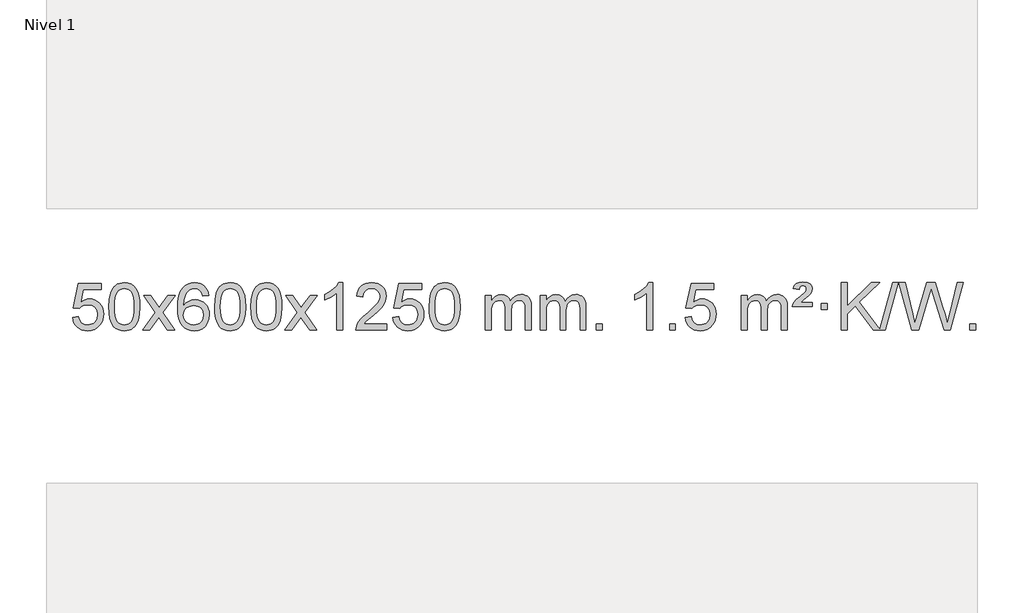
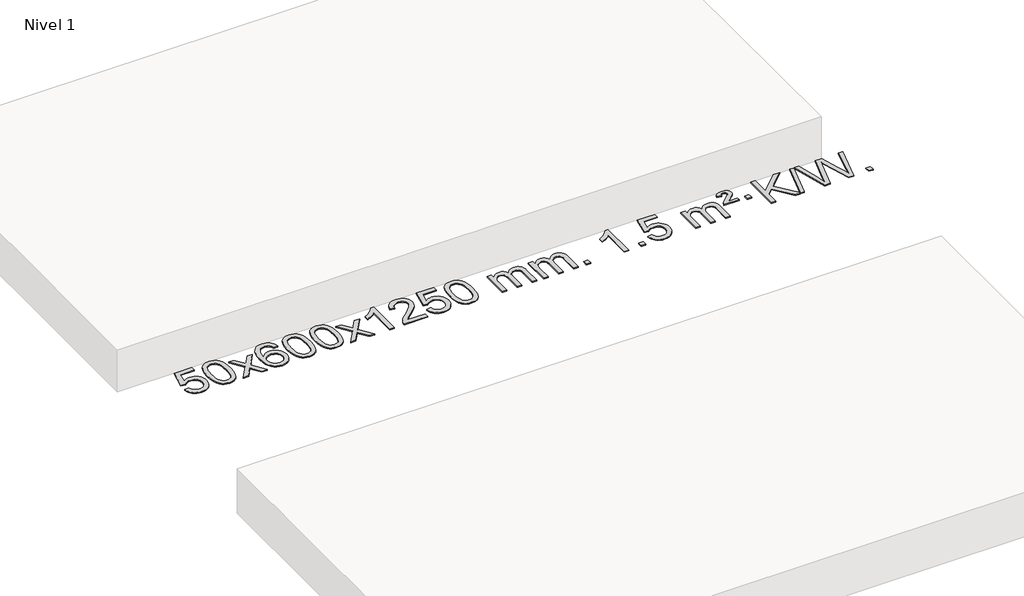
# One storey, part 4 of 4: 1 proxy.
"""IFC4 building model written with IfcOpenShell, lengths in millimetres."""

from ifc_helpers import new_model, si_unit, origin, origin_with_axes, place, context, project, spatial, polyline, outline, extrude, element, save

model = new_model("IFC4")

# Units and contexts
model_context = context("Model", 3, world=origin())
ifc_project = project(units=[si_unit("LENGTHUNIT", "METRE", prefix="MILLI")], contexts=[model_context])

# Site, building, storey
site = spatial("IfcSite", under=ifc_project)
building = spatial("IfcBuilding", under=site)
storey = spatial("IfcBuildingStorey", under=building, Name="Nivel 1", Elevation=0.0)

# Proxy
placement = place(None, origin())
element("IfcBuildingElementProxy", 1, Name="Texto de modelo 1", ObjectType="Texto de modelo 1", at=placement, inside=storey, context=model_context, shape_type="SweptSolid", body=[
    extrude(outline(polyline([(-19438.3327477, 353.8243086), (-19388.1045926, 360.102828), (-19378.8830173, 329.9487671), (-19362.7943114, 308.354094), (-19339.9120513, 295.3678595), (-19310.3098134, 291.0391147), (-19291.1799496, 292.5443652), (-19274.3064288, 297.0601167), (-19259.6892508, 304.5863692), (-19247.3284158, 315.1231227), (-19237.4998352, 328.149211), (-19230.4794204, 343.143468), (-19224.8630886, 379.036488), (-19230.1238012, 412.8325806), (-19236.6996918, 426.7507827), (-19245.9059387, 438.6824221), (-19257.7731988, 448.2534854), (-19272.3321287, 455.0899591), (-19309.5249984, 460.5591381), (-19333.8910493, 458.3763716), (-19353.6217869, 451.8280721), (-19369.3793991, 441.7971563), (-19381.8260732, 429.1665412), (-19432.0542283, 435.4450606), (-19388.1045926, 642.6362002), (-19193.4704917, 642.6362002), (-19193.4704917, 592.4080452), (-19347.4904204, 592.4080452), (-19368.9747289, 481.749141), (-19351.2489481, 494.4533326), (-19333.0939716, 503.5277551), (-19314.5097995, 508.9724087), (-19295.4964317, 510.7872932), (-19271.0353447, 508.5370816), (-19248.5669518, 501.786447), (-19228.0912531, 490.5353893), (-19209.6082486, 474.7839086), (-19194.3074232, 455.4946293), (-19183.3782623, 433.6301761), (-19176.8207657, 409.1905488), (-19174.6349336, 382.1757477), (-19176.6031022, 356.1542279), (-19182.5076082, 331.9475926), (-19192.3484516, 309.5558418), (-19206.1256323, 288.9789756), (-19226.9968042, 267.9054686), (-19251.3505923, 252.8529636), (-19279.1869966, 243.8214606), (-19310.5060171, 240.8109597), (-19336.4263693, 242.7454058), (-19359.8389927, 248.5487443), (-19380.743887, 258.2209751), (-19399.1410525, 271.7620982), (-19414.4480092, 288.4976633), (-19426.0822773, 307.75322), (-19434.0438568, 329.5287685), (-19438.3327477, 353.8243086)])), origin_with_axes(), (0.0, 0.0, 1.0), 10.0),
    extrude(outline(polyline([(-19130.6852979, 444.7647378), (-19126.9942152, 509.0827733), (-19115.9209671, 560.3777861), (-19097.5759183, 599.4345913), (-19085.7178553, 614.6679716), (-19072.0694333, 627.0380037), (-19056.584667, 636.6090669), (-19039.2175711, 643.4455406), (-18998.8363908, 648.9147196), (-18967.8852523, 645.6773581), (-18940.1714753, 635.9652734), (-18916.9949096, 620.1586103), (-18899.6554049, 598.6375136), (-18886.5588059, 571.5859242), (-18876.1109572, 539.1877832), (-18869.2683521, 498.0463134), (-18866.9874837, 444.7647378), (-18870.6417782, 380.8145843), (-18881.6046617, 329.6421988), (-18899.8393459, 290.5486054), (-18911.6698177, 275.2692399), (-18925.3090427, 262.8348284), (-18940.8122031, 253.1993858), (-18958.2344813, 246.3169268), (-18998.8363908, 240.8109597), (-19026.5011168, 243.2021926), (-19051.0265832, 250.3758915), (-19072.4127898, 262.3320564), (-19090.6597368, 279.0706871), (-19108.1709198, 309.3289813), (-19120.6789076, 347.0307544), (-19128.1837003, 392.1760066), (-19130.6852979, 444.7647378)]), holes=[polyline([(-19080.4571428, 444.8628396), (-19078.9856148, 401.1983125), (-19074.5710309, 365.8540498), (-19067.213391, 338.8300516), (-19056.9126951, 320.1263178), (-19044.4537582, 307.4006665), (-19030.6213952, 298.3109155), (-19015.415606, 292.8570649), (-18998.8363908, 291.0391147), (-18982.2571755, 292.8631963), (-18967.0513864, 298.335441), (-18953.2190234, 307.4558488), (-18940.7600865, 320.2244197), (-18930.4593906, 338.9588103), (-18923.1017507, 365.9766771), (-18918.6871668, 401.2780203), (-18917.2156388, 444.8628396), (-18918.6381158, 487.3716042), (-18922.905547, 522.0935332), (-18930.0179322, 549.0286266), (-18939.9752716, 568.1768844), (-18952.225742, 581.5248695), (-18966.2175205, 591.0591445), (-18981.9506072, 596.7797096), (-18999.425002, 598.6865646), (-19015.9183781, 597.0065701), (-19030.8666498, 591.9665868), (-19044.2698172, 583.5666146), (-19056.1278802, 571.8066534), (-19066.7719326, 550.9600071), (-19074.3748271, 522.8538226), (-19078.9365639, 487.4881002), (-19080.4571428, 444.8628396)])]), origin_with_axes(), (0.0, 0.0, 1.0), 10.0),
    extrude(outline(polyline([(-18841.8734062, 247.089479), (-18734.5499655, 395.4194995), (-18835.5948868, 542.1798901), (-18775.1641377, 542.1798901), (-18726.4075106, 471.546547), (-18703.6478779, 438.1919128), (-18683.9294029, 465.4642314), (-18628.4037471, 542.1798901), (-18567.972998, 542.1798901), (-18674.1192164, 395.4194995), (-18571.8970727, 247.089479), (-18632.3278217, 247.089479), (-18693.8376913, 336.2640747), (-18705.1194058, 352.5489843), (-18781.4426571, 247.089479), (-18841.8734062, 247.089479)])), origin_with_axes(), (0.0, 0.0, 1.0), 10.0),
    extrude(outline(polyline([(-18283.085181, 542.1798901), (-18333.313336, 535.9013707), (-18341.4067399, 560.7947191), (-18352.3450979, 577.7908672), (-18375.1292562, 593.4626402), (-18402.6713549, 598.6865646), (-18426.0195988, 595.6454067), (-18447.9944167, 586.5219333), (-18466.866763, 567.3062304), (-18482.2810186, 540.8555149), (-18492.6920791, 503.441916), (-18496.55484, 451.3375628), (-18476.4071694, 474.8452222), (-18452.2618478, 491.4121748), (-18425.4677758, 501.234624), (-18397.3738541, 504.5087738), (-18373.2407953, 502.270825), (-18350.9716718, 495.5569786), (-18330.5664838, 484.3672346), (-18312.0252313, 468.7015929), (-18296.617107, 449.4920214), (-18285.611304, 427.6704877), (-18279.0078222, 403.2369919), (-18276.8066616, 376.1915339), (-18280.9514654, 340.2249375), (-18293.3858768, 306.882566), (-18313.0798263, 278.6047033), (-18339.0032442, 257.8316333), (-18369.9789082, 245.0661281), (-18404.8295959, 240.8109597), (-18434.7721246, 243.6313883), (-18461.814517, 252.0926742), (-18485.9567729, 266.1948173), (-18507.1988924, 285.9378177), (-18524.5169374, 312.1555412), (-18536.8869694, 345.6818537), (-18544.3089887, 386.5167552), (-18546.7829951, 434.6602456), (-18544.0361429, 488.6346657), (-18535.7955862, 534.6996229), (-18522.061325, 572.8551171), (-18502.8333594, 603.1011485), (-18481.9928444, 623.1445859), (-18457.8291287, 637.4613269), (-18430.3422123, 646.0513714), (-18399.5320952, 648.9147196), (-18376.398449, 647.1427547), (-18355.4598322, 641.8268599), (-18336.7162445, 632.9670351), (-18320.1676861, 620.5632805), (-18306.2617467, 605.032529), (-18295.446016, 586.7917134), (-18287.7204941, 565.8408338), (-18283.085181, 542.1798901)]), holes=[polyline([(-18496.55484, 376.9763488), (-18493.6485723, 354.7194881), (-18484.929769, 333.4681715), (-18471.3917116, 315.1966991), (-18454.0276814, 301.8793709), (-18433.0706704, 293.7491788), (-18408.7536705, 291.0391147), (-18375.6075028, 296.6554465), (-18361.6923663, 303.6758613), (-18349.5491948, 313.5044419), (-18339.6991543, 325.7426496), (-18332.6634112, 339.9919456), (-18327.0348167, 374.5238022), (-18332.5898348, 407.6699699), (-18339.5336074, 421.2908008), (-18349.2548892, 432.943463), (-18361.4348489, 442.2784686), (-18375.7546556, 448.9463298), (-18410.8138097, 454.2806187), (-18443.9109265, 448.9463298), (-18471.5879153, 432.943463), (-18482.5109449, 421.444085), (-18490.3131089, 408.2831066), (-18494.9944072, 393.4605279), (-18496.55484, 376.9763488)])]), origin_with_axes(), (0.0, 0.0, 1.0), 10.0),
    extrude(outline(polyline([(-18232.8570259, 444.7647378), (-18229.1659432, 509.0827733), (-18218.0926952, 560.3777861), (-18199.7476463, 599.4345913), (-18187.8895834, 614.6679716), (-18174.2411613, 627.0380037), (-18158.756395, 636.6090669), (-18141.3892992, 643.4455406), (-18101.0081188, 648.9147196), (-18070.0569803, 645.6773581), (-18042.3432033, 635.9652734), (-18019.1666376, 620.1586103), (-18001.8271329, 598.6375136), (-17988.7305339, 571.5859242), (-17978.2826852, 539.1877832), (-17971.4400801, 498.0463134), (-17969.1592118, 444.7647378), (-17972.8135062, 380.8145843), (-17983.7763897, 329.6421988), (-18002.0110739, 290.5486054), (-18013.8415458, 275.2692399), (-18027.4807707, 262.8348284), (-18042.9839311, 253.1993858), (-18060.4062093, 246.3169268), (-18101.0081188, 240.8109597), (-18128.6728449, 243.2021926), (-18153.1983112, 250.3758915), (-18174.5845179, 262.3320564), (-18192.8314648, 279.0706871), (-18210.3426478, 309.3289813), (-18222.8506356, 347.0307544), (-18230.3554283, 392.1760066), (-18232.8570259, 444.7647378)]), holes=[polyline([(-18182.6288708, 444.8628396), (-18181.1573428, 401.1983125), (-18176.7427589, 365.8540498), (-18169.385119, 338.8300516), (-18159.0844231, 320.1263178), (-18146.6254862, 307.4006665), (-18132.7931232, 298.3109155), (-18117.5873341, 292.8570649), (-18101.0081188, 291.0391147), (-18084.4289036, 292.8631963), (-18069.2231144, 298.335441), (-18055.3907514, 307.4558488), (-18042.9318145, 320.2244197), (-18032.6311187, 338.9588103), (-18025.2734788, 365.9766771), (-18020.8588948, 401.2780203), (-18019.3873668, 444.8628396), (-18020.8098439, 487.3716042), (-18025.077275, 522.0935332), (-18032.1896603, 549.0286266), (-18042.1469996, 568.1768844), (-18054.39747, 581.5248695), (-18068.3892486, 591.0591445), (-18084.1223352, 596.7797096), (-18101.59673, 598.6865646), (-18118.0901061, 597.0065701), (-18133.0383779, 591.9665868), (-18146.4415452, 583.5666146), (-18158.2996082, 571.8066534), (-18168.9436606, 550.9600071), (-18176.5465552, 522.8538226), (-18181.1082919, 487.4881002), (-18182.6288708, 444.8628396)])]), origin_with_axes(), (0.0, 0.0, 1.0), 10.0),
    extrude(outline(polyline([(-17925.2095761, 444.7647378), (-17921.5184934, 509.0827733), (-17910.4452453, 560.3777861), (-17892.1001965, 599.4345913), (-17880.2421335, 614.6679716), (-17866.5937115, 627.0380037), (-17851.1089452, 636.6090669), (-17833.7418493, 643.4455406), (-17793.360669, 648.9147196), (-17762.4095305, 645.6773581), (-17734.6957535, 635.9652734), (-17711.5191878, 620.1586103), (-17694.1796831, 598.6375136), (-17681.0830841, 571.5859242), (-17670.6352354, 539.1877832), (-17663.7926303, 498.0463134), (-17661.5117619, 444.7647378), (-17665.1660564, 380.8145843), (-17676.1289399, 329.6421988), (-17694.3636241, 290.5486054), (-17706.1940959, 275.2692399), (-17719.8333209, 262.8348284), (-17735.3364813, 253.1993858), (-17752.7587595, 246.3169268), (-17793.360669, 240.8109597), (-17821.025395, 243.2021926), (-17845.5508614, 250.3758915), (-17866.937068, 262.3320564), (-17885.184015, 279.0706871), (-17902.695198, 309.3289813), (-17915.2031858, 347.0307544), (-17922.7079785, 392.1760066), (-17925.2095761, 444.7647378)]), holes=[polyline([(-17874.981421, 444.8628396), (-17873.509893, 401.1983125), (-17869.0953091, 365.8540498), (-17861.7376692, 338.8300516), (-17851.4369733, 320.1263178), (-17838.9780364, 307.4006665), (-17825.1456734, 298.3109155), (-17809.9398842, 292.8570649), (-17793.360669, 291.0391147), (-17776.7814537, 292.8631963), (-17761.5756646, 298.335441), (-17747.7433016, 307.4558488), (-17735.2843647, 320.2244197), (-17724.9836688, 338.9588103), (-17717.6260289, 365.9766771), (-17713.211445, 401.2780203), (-17711.739917, 444.8628396), (-17713.162394, 487.3716042), (-17717.4298252, 522.0935332), (-17724.5422104, 549.0286266), (-17734.4995498, 568.1768844), (-17746.7500202, 581.5248695), (-17760.7417988, 591.0591445), (-17776.4748854, 596.7797096), (-17793.9492802, 598.6865646), (-17810.4426563, 597.0065701), (-17825.390928, 591.9665868), (-17838.7940954, 583.5666146), (-17850.6521584, 571.8066534), (-17861.2962108, 550.9600071), (-17868.8991053, 522.8538226), (-17873.4608421, 487.4881002), (-17874.981421, 444.8628396)])]), origin_with_axes(), (0.0, 0.0, 1.0), 10.0),
    extrude(outline(polyline([(-17636.3976844, 247.089479), (-17529.0742437, 395.4194995), (-17630.119165, 542.1798901), (-17569.6884159, 542.1798901), (-17520.9317888, 471.546547), (-17498.1721561, 438.1919128), (-17478.4536811, 465.4642314), (-17422.9280253, 542.1798901), (-17362.4972762, 542.1798901), (-17468.6434946, 395.4194995), (-17366.4213509, 247.089479), (-17426.8520999, 247.089479), (-17488.3619695, 336.2640747), (-17499.643684, 352.5489843), (-17575.9669353, 247.089479), (-17636.3976844, 247.089479)])), origin_with_axes(), (0.0, 0.0, 1.0), 10.0),
    extrude(outline(polyline([(-17146.6731724, 247.089479), (-17196.9013275, 247.089479), (-17196.9013275, 560.2306333), (-17217.8706012, 543.2712734), (-17244.4807322, 526.3364388), (-17297.3576376, 500.9771066), (-17297.3576376, 548.4584095), (-17257.908425, 569.9181925), (-17223.7321877, 595.449203), (-17196.7909629, 622.5988942), (-17179.046788, 648.9147196), (-17146.6731724, 648.9147196), (-17146.6731724, 247.089479)])), origin_with_axes(), (0.0, 0.0, 1.0), 10.0),
    extrude(outline(polyline([(-16769.9620093, 297.3176341), (-16769.9620093, 247.089479), (-17033.6598235, 247.089479), (-17032.5561775, 264.7723403), (-17028.2642209, 281.7194375), (-17015.8788604, 308.7832896), (-16997.7545408, 335.0378013), (-16971.5368172, 362.5185864), (-16934.871245, 393.2612585), (-16880.6699644, 441.4047489), (-16848.1491961, 476.9421496), (-16831.8888119, 505.784098), (-16826.4686838, 533.8412315), (-16831.5822435, 558.9920973), (-16846.9229227, 579.9000573), (-16870.5041586, 593.9899378), (-16900.3393884, 598.6865646), (-16931.6706717, 594.1003024), (-16956.012197, 580.3415157), (-16971.7207582, 558.4893252), (-16977.153149, 529.6228513), (-17027.3813041, 535.9013707), (-17023.0617563, 561.83092), (-17015.2044101, 584.4863195), (-17003.8092653, 603.8675693), (-16988.8763219, 619.9746693), (-16970.7489366, 632.6359413), (-16949.7704659, 641.6797071), (-16925.9409096, 647.1059665), (-16899.2602679, 648.9147196), (-16872.3405029, 646.9036314), (-16848.382188, 640.8703667), (-16827.3853231, 630.8149255), (-16809.3499083, 616.7373078), (-16794.8645547, 599.6798459), (-16784.5178736, 580.6848723), (-16778.309865, 559.7523867), (-16776.2405287, 536.8823894), (-16778.4723462, 512.8596951), (-16785.1677985, 489.2539337), (-16797.0503869, 465.2435022), (-16814.8436128, 440.0067973), (-16843.2073146, 409.8772619), (-16886.801331, 371.1883387), (-16944.5833297, 322.87317), (-16967.2448606, 297.3176341), (-16769.9620093, 297.3176341)])), origin_with_axes(), (0.0, 0.0, 1.0), 10.0),
    extrude(outline(polyline([(-16719.7338543, 353.8243086), (-16669.5056992, 360.102828), (-16660.2841238, 329.9487671), (-16644.1954179, 308.354094), (-16621.3131578, 295.3678595), (-16591.7109199, 291.0391147), (-16572.5810562, 292.5443652), (-16555.7075354, 297.0601167), (-16541.0903574, 304.5863692), (-16528.7295224, 315.1231227), (-16518.9009417, 328.149211), (-16511.880527, 343.143468), (-16506.2641952, 379.036488), (-16511.5249077, 412.8325806), (-16518.1007984, 426.7507827), (-16527.3070453, 438.6824221), (-16539.1743054, 448.2534854), (-16553.7332353, 455.0899591), (-16590.926105, 460.5591381), (-16615.2921558, 458.3763716), (-16635.0228935, 451.8280721), (-16650.7805056, 441.7971563), (-16663.2271798, 429.1665412), (-16713.4553349, 435.4450606), (-16669.5056992, 642.6362002), (-16474.8715983, 642.6362002), (-16474.8715983, 592.4080452), (-16628.8915269, 592.4080452), (-16650.3758354, 481.749141), (-16632.6500546, 494.4533326), (-16614.4950782, 503.5277551), (-16595.9109061, 508.9724087), (-16576.8975383, 510.7872932), (-16552.4364513, 508.5370816), (-16529.9680584, 501.786447), (-16509.4923597, 490.5353893), (-16491.0093551, 474.7839086), (-16475.7085298, 455.4946293), (-16464.7793689, 433.6301761), (-16458.2218723, 409.1905488), (-16456.0360401, 382.1757477), (-16458.0042088, 356.1542279), (-16463.9087148, 331.9475926), (-16473.7495582, 309.5558418), (-16487.5267389, 288.9789756), (-16508.3979108, 267.9054686), (-16532.7516989, 252.8529636), (-16560.5881032, 243.8214606), (-16591.9071237, 240.8109597), (-16617.8274759, 242.7454058), (-16641.2400992, 248.5487443), (-16662.1449936, 258.2209751), (-16680.5421591, 271.7620982), (-16695.8491157, 288.4976633), (-16707.4833838, 307.75322), (-16715.4449633, 329.5287685), (-16719.7338543, 353.8243086)])), origin_with_axes(), (0.0, 0.0, 1.0), 10.0),
    extrude(outline(polyline([(-16412.0864044, 444.7647378), (-16408.3953218, 509.0827733), (-16397.3220737, 560.3777861), (-16378.9770249, 599.4345913), (-16367.1189619, 614.6679716), (-16353.4705399, 627.0380037), (-16337.9857736, 636.6090669), (-16320.6186777, 643.4455406), (-16280.2374974, 648.9147196), (-16249.2863588, 645.6773581), (-16221.5725819, 635.9652734), (-16198.3960162, 620.1586103), (-16181.0565115, 598.6375136), (-16167.9599124, 571.5859242), (-16157.5120638, 539.1877832), (-16150.6694587, 498.0463134), (-16148.3885903, 444.7647378), (-16152.0428848, 380.8145843), (-16163.0057682, 329.6421988), (-16181.2404525, 290.5486054), (-16193.0709243, 275.2692399), (-16206.7101493, 262.8348284), (-16222.2133097, 253.1993858), (-16239.6355878, 246.3169268), (-16280.2374974, 240.8109597), (-16307.9022234, 243.2021926), (-16332.4276897, 250.3758915), (-16353.8138964, 262.3320564), (-16372.0608434, 279.0706871), (-16389.5720263, 309.3289813), (-16402.0800142, 347.0307544), (-16409.5848069, 392.1760066), (-16412.0864044, 444.7647378)]), holes=[polyline([(-16361.8582494, 444.8628396), (-16360.3867214, 401.1983125), (-16355.9721374, 365.8540498), (-16348.6144975, 338.8300516), (-16338.3138017, 320.1263178), (-16325.8548648, 307.4006665), (-16312.0225017, 298.3109155), (-16296.8167126, 292.8570649), (-16280.2374974, 291.0391147), (-16263.6582821, 292.8631963), (-16248.452493, 298.335441), (-16234.62013, 307.4558488), (-16222.1611931, 320.2244197), (-16211.8604972, 338.9588103), (-16204.5028573, 365.9766771), (-16200.0882733, 401.2780203), (-16198.6167454, 444.8628396), (-16200.0392224, 487.3716042), (-16204.3066536, 522.0935332), (-16211.4190388, 549.0286266), (-16221.3763781, 568.1768844), (-16233.6268486, 581.5248695), (-16247.6186271, 591.0591445), (-16263.3517138, 596.7797096), (-16280.8261086, 598.6865646), (-16297.3194847, 597.0065701), (-16312.2677564, 591.9665868), (-16325.6709238, 583.5666146), (-16337.5289867, 571.8066534), (-16348.1730391, 550.9600071), (-16355.7759337, 522.8538226), (-16360.3376704, 487.4881002), (-16361.8582494, 444.8628396)])]), origin_with_axes(), (0.0, 0.0, 1.0), 10.0),
    extrude(outline(polyline([(-15934.9189312, 247.089479), (-15934.9189312, 542.1798901), (-15884.6907762, 542.1798901), (-15884.6907762, 493.6194667), (-15869.5830889, 515.9253784), (-15850.1589195, 533.3997731), (-15827.0804557, 544.6937504), (-15801.009885, 548.4584095), (-15773.0753788, 544.620174), (-15750.683628, 533.1054676), (-15733.95726, 514.6745796), (-15723.018902, 490.0877996), (-15704.7106414, 515.6249414), (-15683.8272068, 533.865757), (-15660.3685982, 544.8102464), (-15634.3348157, 548.4584095), (-15614.226999, 546.9408963), (-15596.5778603, 542.3883566), (-15581.3873995, 534.8007904), (-15568.6556168, 524.1781978), (-15558.5909786, 510.3979514), (-15551.4019513, 493.3374239), (-15547.0885349, 472.9966152), (-15545.6507294, 449.3755255), (-15545.6507294, 247.089479), (-15595.8788845, 247.089479), (-15595.8788845, 427.7931151), (-15597.0438441, 452.8458789), (-15600.5387231, 469.7316625), (-15607.0870226, 481.2954199), (-15617.4122439, 490.3821052), (-15630.6927839, 496.2682171), (-15646.1070395, 498.2302544), (-15673.3180445, 493.2025338), (-15695.5013288, 478.119372), (-15704.1067018, 466.5494833), (-15710.2533968, 451.9506994), (-15715.1707528, 413.6664465), (-15715.1707528, 247.089479), (-15765.3989078, 247.089479), (-15765.3989078, 433.3849214), (-15768.3051756, 461.7854114), (-15777.0239789, 482.0434466), (-15792.3646581, 494.1835525), (-15815.1365536, 498.2302544), (-15834.4871465, 495.5324531), (-15852.3171606, 487.4390492), (-15867.0324404, 474.1462465), (-15877.0388307, 455.8502486), (-15882.7777898, 430.4663909), (-15884.6907762, 395.9100088), (-15884.6907762, 247.089479), (-15934.9189312, 247.089479)])), origin_with_axes(), (0.0, 0.0, 1.0), 10.0),
    extrude(outline(polyline([(-15470.3084968, 247.089479), (-15470.3084968, 542.1798901), (-15420.0803417, 542.1798901), (-15420.0803417, 493.6194667), (-15404.9726544, 515.9253784), (-15385.5484851, 533.3997731), (-15362.4700213, 544.6937504), (-15336.3994505, 548.4584095), (-15308.4649444, 544.620174), (-15286.0731936, 533.1054676), (-15269.3468256, 514.6745796), (-15258.4084676, 490.0877996), (-15240.1002069, 515.6249414), (-15219.2167723, 533.865757), (-15195.7581638, 544.8102464), (-15169.7243813, 548.4584095), (-15149.6165645, 546.9408963), (-15131.9674258, 542.3883566), (-15116.7769651, 534.8007904), (-15104.0451824, 524.1781978), (-15093.9805441, 510.3979514), (-15086.7915168, 493.3374239), (-15082.4781004, 472.9966152), (-15081.040295, 449.3755255), (-15081.040295, 247.089479), (-15131.26845, 247.089479), (-15131.26845, 427.7931151), (-15132.4334097, 452.8458789), (-15135.9282886, 469.7316625), (-15142.4765881, 481.2954199), (-15152.8018095, 490.3821052), (-15166.0823495, 496.2682171), (-15181.4966051, 498.2302544), (-15208.70761, 493.2025338), (-15230.8908943, 478.119372), (-15239.4962673, 466.5494833), (-15245.6429623, 451.9506994), (-15250.5603183, 413.6664465), (-15250.5603183, 247.089479), (-15300.7884734, 247.089479), (-15300.7884734, 433.3849214), (-15303.6947412, 461.7854114), (-15312.4135445, 482.0434466), (-15327.7542237, 494.1835525), (-15350.5261192, 498.2302544), (-15369.8767121, 495.5324531), (-15387.7067261, 487.4390492), (-15402.4220059, 474.1462465), (-15412.4283962, 455.8502486), (-15418.1673553, 430.4663909), (-15420.0803417, 395.9100088), (-15420.0803417, 247.089479), (-15470.3084968, 247.089479)])), origin_with_axes(), (0.0, 0.0, 1.0), 10.0),
    extrude(outline(polyline([(-14993.1410236, 247.089479), (-14993.1410236, 297.3176341), (-14942.9128685, 297.3176341), (-14942.9128685, 247.089479), (-14993.1410236, 247.089479)])), origin_with_axes(), (0.0, 0.0, 1.0), 10.0),
    extrude(outline(polyline([(-14515.9735504, 247.089479), (-14566.2017054, 247.089479), (-14566.2017054, 560.2306333), (-14587.1709792, 543.2712734), (-14613.7811101, 526.3364388), (-14666.6580156, 500.9771066), (-14666.6580156, 548.4584095), (-14627.208803, 569.9181925), (-14593.0325656, 595.449203), (-14566.0913408, 622.5988942), (-14548.3471659, 648.9147196), (-14515.9735504, 648.9147196), (-14515.9735504, 247.089479)])), origin_with_axes(), (0.0, 0.0, 1.0), 10.0),
    extrude(outline(polyline([(-14371.5676045, 247.089479), (-14371.5676045, 297.3176341), (-14321.3394494, 297.3176341), (-14321.3394494, 247.089479), (-14371.5676045, 247.089479)])), origin_with_axes(), (0.0, 0.0, 1.0), 10.0),
    extrude(outline(polyline([(-14239.7186975, 353.8243086), (-14189.4905424, 360.102828), (-14180.268967, 329.9487671), (-14164.1802611, 308.354094), (-14141.298001, 295.3678595), (-14111.6957631, 291.0391147), (-14092.5658994, 292.5443652), (-14075.6923785, 297.0601167), (-14061.0752006, 304.5863692), (-14048.7143656, 315.1231227), (-14038.8857849, 328.149211), (-14031.8653702, 343.143468), (-14026.2490384, 379.036488), (-14031.5097509, 412.8325806), (-14038.0856416, 426.7507827), (-14047.2918885, 438.6824221), (-14059.1591485, 448.2534854), (-14073.7180785, 455.0899591), (-14110.9109482, 460.5591381), (-14135.276999, 458.3763716), (-14155.0077367, 451.8280721), (-14170.7653488, 441.7971563), (-14183.212023, 429.1665412), (-14233.4401781, 435.4450606), (-14189.4905424, 642.6362002), (-13994.8564415, 642.6362002), (-13994.8564415, 592.4080452), (-14148.8763701, 592.4080452), (-14170.3606786, 481.749141), (-14152.6348978, 494.4533326), (-14134.4799214, 503.5277551), (-14115.8957492, 508.9724087), (-14096.8823815, 510.7872932), (-14072.4212945, 508.5370816), (-14049.9529016, 501.786447), (-14029.4772029, 490.5353893), (-14010.9941983, 474.7839086), (-13995.693373, 455.4946293), (-13984.7642121, 433.6301761), (-13978.2067155, 409.1905488), (-13976.0208833, 382.1757477), (-13977.989052, 356.1542279), (-13983.893558, 331.9475926), (-13993.7344014, 309.5558418), (-14007.5115821, 288.9789756), (-14028.382754, 267.9054686), (-14052.736542, 252.8529636), (-14080.5729463, 243.8214606), (-14111.8919669, 240.8109597), (-14137.8123191, 242.7454058), (-14161.2249424, 248.5487443), (-14182.1298368, 258.2209751), (-14200.5270022, 271.7620982), (-14215.8339589, 288.4976633), (-14227.468227, 307.75322), (-14235.4298065, 329.5287685), (-14239.7186975, 353.8243086)])), origin_with_axes(), (0.0, 0.0, 1.0), 10.0),
    extrude(outline(polyline([(-13762.5512242, 247.089479), (-13762.5512242, 542.1798901), (-13712.3230692, 542.1798901), (-13712.3230692, 493.6194667), (-13697.2153819, 515.9253784), (-13677.7912126, 533.3997731), (-13654.7127487, 544.6937504), (-13628.642178, 548.4584095), (-13600.7076718, 544.620174), (-13578.3159211, 533.1054676), (-13561.589553, 514.6745796), (-13550.651195, 490.0877996), (-13532.3429344, 515.6249414), (-13511.4594998, 533.865757), (-13488.0008912, 544.8102464), (-13461.9671087, 548.4584095), (-13441.859292, 546.9408963), (-13424.2101533, 542.3883566), (-13409.0196926, 534.8007904), (-13396.2879098, 524.1781978), (-13386.2232716, 510.3979514), (-13379.0342443, 493.3374239), (-13374.7208279, 472.9966152), (-13373.2830224, 449.3755255), (-13373.2830224, 247.089479), (-13423.5111775, 247.089479), (-13423.5111775, 427.7931151), (-13424.6761371, 452.8458789), (-13428.1710161, 469.7316625), (-13434.7193156, 481.2954199), (-13445.0445369, 490.3821052), (-13458.325077, 496.2682171), (-13473.7393326, 498.2302544), (-13500.9503375, 493.2025338), (-13523.1336218, 478.119372), (-13531.7389948, 466.5494833), (-13537.8856898, 451.9506994), (-13542.8030458, 413.6664465), (-13542.8030458, 247.089479), (-13593.0312009, 247.089479), (-13593.0312009, 433.3849214), (-13595.9374686, 461.7854114), (-13604.6562719, 482.0434466), (-13619.9969511, 494.1835525), (-13642.7688466, 498.2302544), (-13662.1194396, 495.5324531), (-13679.9494536, 487.4390492), (-13694.6647334, 474.1462465), (-13704.6711237, 455.8502486), (-13710.4100828, 430.4663909), (-13712.3230692, 395.9100088), (-13712.3230692, 247.089479), (-13762.5512242, 247.089479)])), origin_with_axes(), (0.0, 0.0, 1.0), 10.0),
    extrude(outline(polyline([(-13329.3333867, 448.0020993), (-13325.507414, 463.8210251), (-13317.1687554, 479.6890019), (-13295.6599214, 504.8276049), (-13263.7032388, 532.5659073), (-13219.5573994, 569.942718), (-13212.4204887, 581.4696872), (-13210.0415184, 593.290962), (-13211.9299793, 605.3820169), (-13217.5953621, 615.1676779), (-13226.9640902, 621.6424011), (-13239.9625874, 623.8006421), (-13252.3969988, 622.1819613), (-13261.2506921, 617.325919), (-13267.6763643, 607.859089), (-13272.8267123, 592.4080452), (-13323.0548673, 598.6865646), (-13312.2146112, 623.898744), (-13295.586345, 641.4589779), (-13271.8211681, 651.7596737), (-13239.5701799, 655.193239), (-13203.7875245, 651.0606979), (-13179.041329, 638.6630747), (-13164.6203547, 620.3302886), (-13159.8133633, 598.392259), (-13163.9091162, 575.4854734), (-13176.1963749, 553.8540121), (-13196.7241902, 534.0374353), (-13233.1935586, 505.9803018), (-13258.7981455, 479.3946963), (-13159.8133633, 479.3946963), (-13159.8133633, 448.0020993), (-13329.3333867, 448.0020993)])), origin_with_axes(), (0.0, 0.0, 1.0), 10.0),
    extrude(outline(polyline([(-13084.4711307, 422.8880218), (-13084.4711307, 473.1161769), (-13034.2429757, 473.1161769), (-13034.2429757, 422.8880218), (-13084.4711307, 422.8880218)])), origin_with_axes(), (0.0, 0.0, 1.0), 10.0),
    extrude(outline(polyline([(-12643.6013477, 247.089479), (-12797.0326652, 449.7679329), (-12864.7229523, 385.2169055), (-12864.7229523, 247.089479), (-12914.9511074, 247.089479), (-12914.9511074, 648.9147196), (-12864.7229523, 648.9147196), (-12864.7229523, 452.2204795), (-12658.709035, 648.9147196), (-12588.4680994, 648.9147196), (-12761.421688, 483.7111783), (-12586.7680782, 253.1339988), (-12475.4547504, 648.9147196), (-12430.1316886, 648.9147196), (-12543.1450376, 247.089479), (-12582.18958, 247.089479), (-12588.4680994, 247.089479), (-12643.6013477, 247.089479)])), origin_with_axes(), (0.0, 0.0, 1.0), 10.0),
    extrude(outline(polyline([(-12315.6468117, 247.089479), (-12425.2265954, 648.9147196), (-12373.4288105, 648.9147196), (-12309.8588017, 384.824498), (-12290.2384286, 303.3018479), (-12269.2446294, 375.406719), (-12189.5859147, 648.9147196), (-12114.9303952, 648.9147196), (-12057.0502946, 450.6508497), (-12032.2550481, 377.0744507), (-12013.9835757, 303.3018479), (-11994.9518138, 382.4700533), (-11930.7931939, 648.9147196), (-11878.9954089, 648.9147196), (-11988.6732944, 247.089479), (-12042.3350148, 247.089479), (-12138.6710466, 557.0913736), (-12152.1110022, 600.3542963), (-12167.2186894, 548.2622058), (-12255.0198589, 247.089479), (-12315.6468117, 247.089479)])), origin_with_axes(), (0.0, 0.0, 1.0), 10.0),
    extrude(outline(polyline([(-11822.4887345, 247.089479), (-11822.4887345, 297.3176341), (-11772.2605794, 297.3176341), (-11772.2605794, 247.089479), (-11822.4887345, 247.089479)])), origin_with_axes(), (0.0, 0.0, 1.0), 10.0),
])

save(model, "model.ifc")
